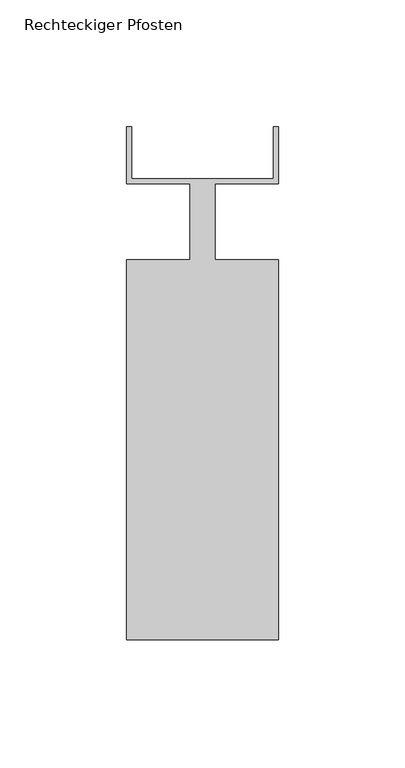
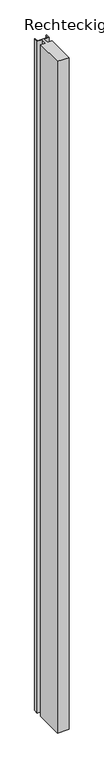
"""IFC4 building model written with IfcOpenShell, lengths in millimetres: member geometry, Rechteckiger Pfosten."""

from ifc_helpers import new_model, si_unit, frame, origin, place, context, project, spatial, polyline, outline, extrude, source, transform, mapped, element, save


def rechteckiger_pfosten_8407305c(model_context):
    return source(origin(), model_context, "Body", "SweptSolid", [
        extrude(outline(polyline([(-58.0, 37.5), (-58.0, 17.0), (-2.0, 17.0), (-2.0, 37.5), (0.0, 37.5), (0.0, 15.0), (-25.0, 15.0), (-25.0, -15.0), (0.0, -15.0), (0.0, -165.0), (-60.0, -165.0), (-60.0, -15.0), (-35.0, -15.0), (-35.0, 15.0), (-60.0, 15.0), (-60.0, 37.5), (-58.0, 37.5)])), frame((0.0, 0.0, -3650.0), z_axis=(0.0, 0.0, 1.0), x_axis=(1.0, 0.0, 0.0)), (0.0, 0.0, 1.0), 3650.0),
    ])


if __name__ == "__main__":
    model = new_model("IFC4")
    model_context = context("Model", 3, world=origin())
    ifc_project = project(units=[si_unit("LENGTHUNIT", "METRE", prefix="MILLI")], contexts=[model_context])
    site = spatial("IfcSite", under=ifc_project)
    building = spatial("IfcBuilding", under=site)
    placement = place(None, origin())
    rechteckiger_pfosten_shape = rechteckiger_pfosten_8407305c(model_context)
    element("IfcMember", 1, ObjectType="Rechteckiger Pfosten", at=placement, inside=building, context=model_context, shape_type="MappedRepresentation", body=[
        mapped(rechteckiger_pfosten_shape, transform((0.0, 0.0, 0.0), x_axis=(1.0, 0.0, 0.0), y_axis=(0.0, 1.0, 0.0), z_axis=(0.0, 0.0, 1.0))),
    ])
    save(model, "model.ifc")
